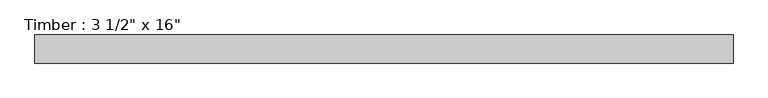
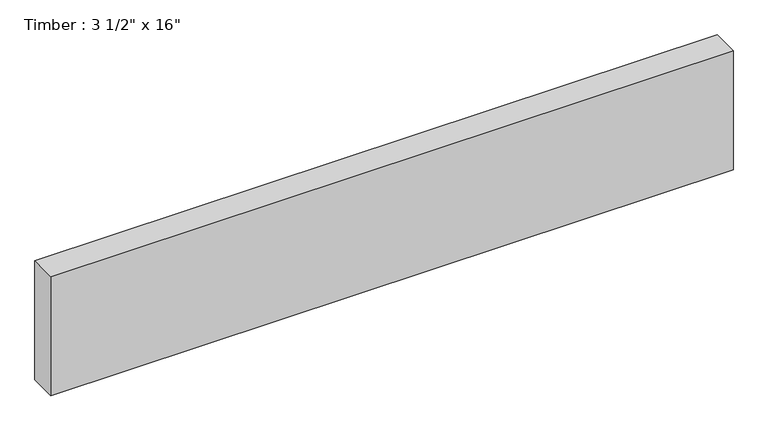
"""IFC4 building model written with IfcOpenShell, lengths in millimetres: beam geometry."""

from ifc_helpers import new_model, si_unit, frame, origin, place, context, project, spatial, polyline, outline, extrude, source, transform, mapped, element, save


def beam_d489f639(model_context):
    return source(origin(), model_context, "Body", "SweptSolid", [
        extrude(outline(polyline([(1102.2390422, 44.45), (1102.2390422, -44.45), (-1102.2390422, -44.45), (-1102.2390422, 44.45), (1102.2390422, 44.45)])), frame((0.0, 0.0, -203.2), z_axis=(0.0, 0.0, 1.0), x_axis=(1.0, 0.0, 0.0)), (0.0, 0.0, 1.0), 406.4),
    ])


if __name__ == "__main__":
    model = new_model("IFC4")
    model_context = context("Model", 3, world=origin())
    ifc_project = project(units=[si_unit("LENGTHUNIT", "METRE", prefix="MILLI")], contexts=[model_context])
    site = spatial("IfcSite", under=ifc_project)
    building = spatial("IfcBuilding", under=site)
    placement = place(None, origin())
    beam_shape = beam_d489f639(model_context)
    element("IfcBeam", 1, ObjectType="Timber : 3 1/2\" x 16\"", at=placement, inside=building, context=model_context, shape_type="MappedRepresentation", body=[
        mapped(beam_shape, transform((0.0, 0.0, 0.0), x_axis=(1.0, 0.0, 0.0), y_axis=(0.0, 1.0, 0.0), z_axis=(0.0, 0.0, 1.0))),
    ])
    save(model, "model.ifc")
